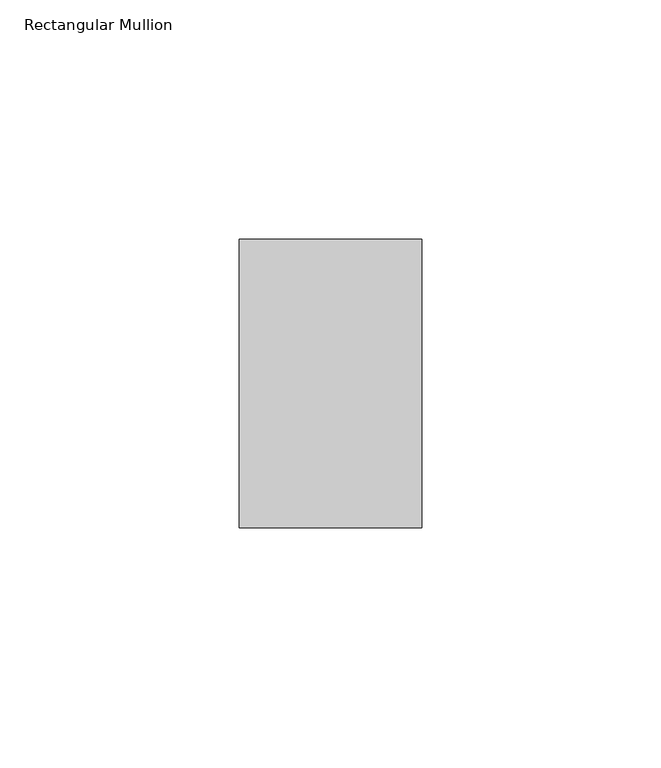
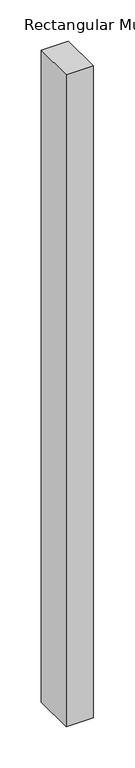
"""IFC4 building model written with IfcOpenShell, lengths in millimetres: member geometry, Rectangular Mullion."""

from ifc_helpers import new_model, si_unit, frame, origin, place, context, project, spatial, polyline, outline, extrude, source, transform, mapped, element, save


def rectangular_mullion_c060a5d4(model_context):
    return source(origin(), model_context, "Body", "SweptSolid", [
        extrude(outline(polyline([(-38.1, -50.8), (-38.1, 9.525), (0.0, 9.525), (0.0, -50.8), (-38.1, -50.8)])), frame((0.0, 0.0, -965.2), z_axis=(0.0, 0.0, 1.0), x_axis=(1.0, 0.0, 0.0)), (0.0, 0.0, 1.0), 965.2),
    ])


if __name__ == "__main__":
    model = new_model("IFC4")
    model_context = context("Model", 3, world=origin())
    ifc_project = project(units=[si_unit("LENGTHUNIT", "METRE", prefix="MILLI")], contexts=[model_context])
    site = spatial("IfcSite", under=ifc_project)
    building = spatial("IfcBuilding", under=site)
    placement = place(None, origin())
    rectangular_mullion_shape = rectangular_mullion_c060a5d4(model_context)
    element("IfcMember", 1, ObjectType="Rectangular Mullion", at=placement, inside=building, context=model_context, shape_type="MappedRepresentation", body=[
        mapped(rectangular_mullion_shape, transform((0.0, 0.0, 0.0), x_axis=(1.0, 0.0, 0.0), y_axis=(0.0, 1.0, 0.0), z_axis=(0.0, 0.0, 1.0))),
    ])
    save(model, "model.ifc")
